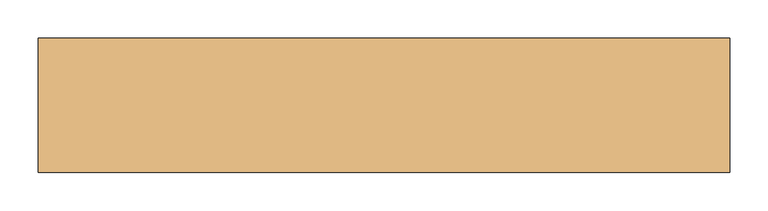
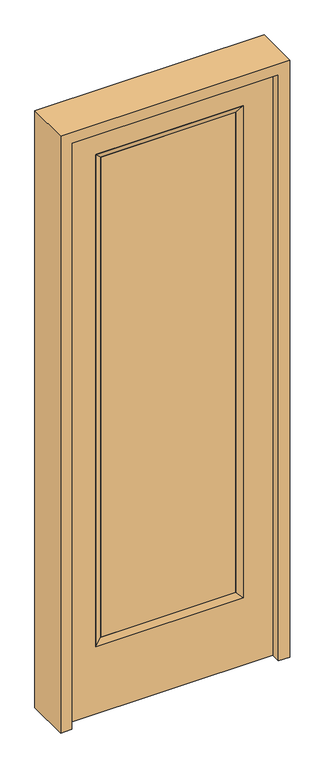
"""IFC4 building model written with IfcOpenShell, lengths in millimetres: door geometry."""

from ifc_helpers import new_model, si_unit, frame, origin, place, context, project, spatial, polyline, outline, extrude, faceted_brep, source, transform, mapped, element, save


def door_5eb4e39a(model_context):
    return source(origin(), model_context, "Body", "SolidModel", [
        extrude(outline(polyline([(265.5824, -12.7039749), (-265.5824, -12.7039749), (-265.5824, 14.2875), (265.5824, 14.2875), (265.5824, -12.7039749)])), frame((0.0, 0.0, 304.8), z_axis=(0.0, 0.0, 1.0), x_axis=(1.0, 0.0, 0.0)), (0.0, 0.0, 1.0), 1997.5576),
        faceted_brep([(265.5824, 14.2875, 2302.3576), (290.9824, 22.225, 2327.7576), (290.9824, 22.225, 279.4), (265.5824, 14.2875, 304.8), (290.9824, -22.225, 2327.7576), (290.9824, -22.225, 279.4), (-290.9824, 22.225, 279.4), (-265.5824, 14.2875, 304.8), (265.5824, -12.7039749, 2302.3576), (265.5824, -12.7039749, 304.8), (-265.5824, -12.7039749, 304.8), (-290.9824, -22.225, 279.4), (-290.9824, 22.225, 2327.7576), (-265.5824, 14.2875, 2302.3576), (-265.5824, -12.7039749, 2302.3576), (-290.9824, -22.225, 2327.7576)], [[[0, 1, 2, 3]], [[1, 4, 5, 2]], [[3, 2, 6, 7]], [[8, 0, 3, 9]], [[9, 3, 7, 10]], [[4, 8, 9, 5]], [[5, 9, 10, 11]], [[2, 5, 11, 6]], [[7, 6, 12, 13]], [[10, 7, 13, 14]], [[11, 10, 14, 15]], [[6, 11, 15, 12]], [[13, 12, 1, 0]], [[14, 13, 0, 8]], [[15, 14, 8, 4]], [[12, 15, 4, 1]]]),
        extrude(outline(polyline([(0.0, -406.4), (0.0, 406.4), (2438.4, 406.4), (2438.4, -406.4), (0.0, -406.4)]), holes=[polyline([(279.4, -290.9824), (2327.7576, -290.9824), (2327.7576, 290.9824), (279.4, 290.9824), (279.4, -290.9824)])]), frame((0.0, -22.225, 0.0), z_axis=(0.0, 1.0, 0.0), x_axis=(0.0, 0.0, 1.0)), (0.0, 0.0, 1.0), 44.45),
        extrude(outline(polyline([(0.0, -450.85), (0.0, -406.4), (2438.4, -406.4), (2438.4, 406.4), (0.0, 406.4), (0.0, 450.85), (2482.85, 450.85), (2482.85, -450.85), (0.0, -450.85)])), frame((0.0, -61.1, 0.0), z_axis=(0.0, 1.0, 0.0), x_axis=(0.0, 0.0, 1.0)), (0.0, 0.0, 1.0), 175.4),
    ])


if __name__ == "__main__":
    model = new_model("IFC4")
    model_context = context("Model", 3, world=origin())
    ifc_project = project(units=[si_unit("LENGTHUNIT", "METRE", prefix="MILLI")], contexts=[model_context])
    site = spatial("IfcSite", under=ifc_project)
    building = spatial("IfcBuilding", under=site)
    placement = place(None, origin())
    door_shape = door_5eb4e39a(model_context)
    element("IfcDoor", 1, at=placement, inside=building, context=model_context, shape_type="MappedRepresentation", body=[
        mapped(door_shape, transform((0.0, 0.0, 0.0), x_axis=(1.0, 0.0, 0.0), y_axis=(0.0, 1.0, 0.0), z_axis=(0.0, 0.0, 1.0))),
    ])
    save(model, "model.ifc")
